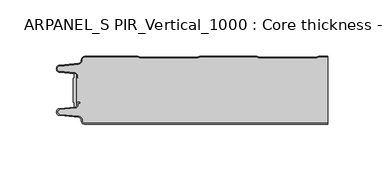
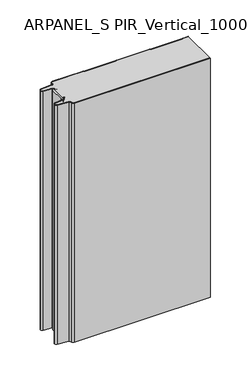
"""IFC4 building model written with IfcOpenShell, lengths in millimetres: plate geometry, ARPANEL_S PIR_Vertical_1000 : Core thickness - 60 mm."""

from ifc_helpers import new_model, si_unit, point, frame, frame_2d, origin, origin_with_axes, place, context, project, spatial, polyline, circle_curve, trimmed, segment, composite_curve, outline, extrude, source, transform, mapped, element, save
from ifc_brep_helpers import plane_surface, cylinder_surface, revolved_surface, advanced_brep


def arpanel_s_pir_vertical_1000_core_thickness_60_mm_f2b74a2b(model_context):
    return source(origin(), model_context, "Body", "SolidModel", [
        extrude(outline(composite_curve([segment(polyline([(-105.2854621, -19.4639745), (-104.0682893, -19.0209598), (-104.0682893, -15.20918)]), True, "CONTINUOUS"), segment(trimmed(circle_curve(frame_2d((-103.9194754, -17.302662)), 2.0987645), [point((-104.0682893, -15.20918))], [point((-102.4659308, -15.7887199))], False, "CARTESIAN"), True, "CONTINUOUS"), segment(polyline([(-102.4659308, -15.7887199), (-102.4659308, -44.2112801)]), True, "CONTINUOUS"), segment(trimmed(circle_curve(frame_2d((-103.9194754, -42.697338)), 2.0987645), [point((-102.4659308, -44.2112801))], [point((-104.0682893, -44.79082))], False, "CARTESIAN"), True, "CONTINUOUS"), segment(polyline([(-104.0682893, -44.79082), (-104.0682893, -40.9790402), (-105.2854621, -40.5360255), (-105.2854621, -19.4639745)]), True, "CONTINUOUS")], self_intersect=False)), origin_with_axes(), (0.0, 0.0, 1.0), 400.0),
        advanced_brep(
        [(-94.8000003, -59.9996949, 0.0), (-97.9923632, -56.5787437, 0.0), (-100.2560431, -53.9171154, 0.0), (-117.2115315, -52.2546153, 0.0), (-119.9999998, -49.1776715, 0.0), (-117.2115315, -46.1007278, 0.0), (-103.6195785, -44.7680252, 0.0), (-101.9952277, -42.9766159, 0.0), (-101.9952277, -41.8996949, 0.0), (-100.5952277, -40.4996949, 0.0), (-99.4952277, -40.4996949, 0.0), (-99.4952277, -41.2996949, 0.0), (-100.5952277, -41.2996949, 0.0), (-101.1952277, -41.8996949, 0.0), (-101.1952277, -42.9766159, 0.0), (-103.5415122, -45.5642071, 0.0), (-117.1334652, -46.8969097, 0.0), (-119.1999997, -49.1776715, 0.0), (-117.1334652, -51.4584333, 0.0), (-100.1779767, -53.1209335, 0.0), (-97.2078761, -56.6330399, 0.0), (-94.8000003, -59.1996949, 0.0), (119.9999998, -59.2, 0.0), (119.9999998, -59.9996949, 0.0), (-94.8000003, -59.1996949, 400.0), (-97.1942724, -56.6339815, 400.0), (-100.1779767, -53.1209335, 400.0), (-117.1334652, -51.4584333, 400.0), (-119.1999997, -49.1776715, 400.0), (-117.1334652, -46.8969097, 400.0), (-103.5415122, -45.5642071, 400.0), (-101.1952277, -42.9766159, 400.0), (-101.1952277, -41.8996949, 400.0), (-100.5952277, -41.2996949, 400.0), (-99.4952277, -41.2996949, 400.0), (-99.4952277, -40.4996949, 400.0), (-100.5952277, -40.4996949, 400.0), (-101.9952277, -41.8996949, 400.0), (-101.9952277, -42.9766159, 400.0), (-103.6195785, -44.7680252, 400.0), (-117.2115315, -46.1007278, 400.0), (-119.9999998, -49.1776715, 400.0), (-117.2115315, -52.2546153, 400.0), (-100.2560431, -53.9171154, 400.0), (-98.0059668, -56.5778021, 400.0), (-94.8000003, -59.9996949, 400.0), (119.9999998, -59.9996949, 400.0), (119.9999998, -59.2, 400.0)],
        [
            (0, 1, circle_curve(frame((-94.8000003, -56.7996949, 0.0), z_axis=(0.0, 0.0, -1.0), x_axis=(1.0, 0.0, 0.0)), 3.2)),
            (1, 2, circle_curve(frame((-100.5000003, -56.4051839, 0.0), z_axis=(0.0, 0.0, 1.0), x_axis=(1.0, 0.0, 0.0)), 2.5)),
            (2, 3),
            (3, 4, circle_curve(frame((-116.9100003, -49.1793626, 0.0), z_axis=(0.0, 0.0, -1.0), x_axis=(1.0, 0.0, 0.0)), 3.09)),
            (4, 5, circle_curve(frame((-116.9100003, -49.1759805, 0.0), z_axis=(0.0, 0.0, -1.0), x_axis=(1.0, 0.0, 0.0)), 3.09)),
            (5, 6),
            (6, 7, circle_curve(frame((-103.7952277, -42.9766159, 0.0), z_axis=(0.0, 0.0, 1.0), x_axis=(1.0, 0.0, 0.0)), 1.8)),
            (7, 8),
            (8, 9, circle_curve(frame((-100.5952277, -41.8996949, 0.0), z_axis=(0.0, 0.0, -1.0), x_axis=(1.0, 0.0, 0.0)), 1.4)),
            (9, 10),
            (10, 11),
            (11, 12),
            (12, 13, circle_curve(frame((-100.5952277, -41.8996949, 0.0), z_axis=(0.0, 0.0, 1.0), x_axis=(1.0, 0.0, 0.0)), 0.6)),
            (13, 14),
            (14, 15, circle_curve(frame((-103.7952277, -42.9766159, 0.0), z_axis=(0.0, 0.0, -1.0), x_axis=(1.0, 0.0, 0.0)), 2.6)),
            (15, 16),
            (16, 17, circle_curve(frame((-116.9100003, -49.1759805, 0.0), z_axis=(0.0, 0.0, 1.0), x_axis=(1.0, 0.0, 0.0)), 2.29)),
            (17, 18, circle_curve(frame((-116.9100003, -49.1793626, 0.0), z_axis=(0.0, 0.0, 1.0), x_axis=(1.0, 0.0, 0.0)), 2.29)),
            (18, 19),
            (19, 20, circle_curve(frame((-100.5000003, -56.4051839, 0.0), z_axis=(0.0, 0.0, -1.0), x_axis=(1.0, 0.0, 0.0)), 3.3)),
            (20, 21, circle_curve(frame((-94.8000003, -56.7996949, 0.0), z_axis=(0.0, 0.0, 1.0), x_axis=(1.0, 0.0, 0.0)), 2.4)),
            (21, 22),
            (22, 23),
            (23, 0),
            (24, 25, circle_curve(frame((-94.8000003, -56.7996949, 400.0), z_axis=(0.0, 0.0, -1.0), x_axis=(1.0, 0.0, 0.0)), 2.4)),
            (25, 26, circle_curve(frame((-100.5000003, -56.4051839, 400.0), z_axis=(0.0, 0.0, 1.0), x_axis=(1.0, 0.0, 0.0)), 3.3)),
            (26, 27),
            (27, 28, circle_curve(frame((-116.9100003, -49.1793626, 400.0), z_axis=(0.0, 0.0, -1.0), x_axis=(1.0, 0.0, 0.0)), 2.29)),
            (28, 29, circle_curve(frame((-116.9100003, -49.1759805, 400.0), z_axis=(0.0, 0.0, -1.0), x_axis=(1.0, 0.0, 0.0)), 2.29)),
            (29, 30),
            (30, 31, circle_curve(frame((-103.7952277, -42.9766159, 400.0), z_axis=(0.0, 0.0, 1.0), x_axis=(1.0, 0.0, 0.0)), 2.6)),
            (31, 32),
            (32, 33, circle_curve(frame((-100.5952277, -41.8996949, 400.0), z_axis=(0.0, 0.0, -1.0), x_axis=(1.0, 0.0, 0.0)), 0.6)),
            (33, 34),
            (34, 35),
            (35, 36),
            (36, 37, circle_curve(frame((-100.5952277, -41.8996949, 400.0), z_axis=(0.0, 0.0, 1.0), x_axis=(1.0, 0.0, 0.0)), 1.4)),
            (37, 38),
            (38, 39, circle_curve(frame((-103.7952277, -42.9766159, 400.0), z_axis=(0.0, 0.0, -1.0), x_axis=(1.0, 0.0, 0.0)), 1.8)),
            (39, 40),
            (40, 41, circle_curve(frame((-116.9100003, -49.1759805, 400.0), z_axis=(0.0, 0.0, 1.0), x_axis=(1.0, 0.0, 0.0)), 3.09)),
            (41, 42, circle_curve(frame((-116.9100003, -49.1793626, 400.0), z_axis=(0.0, 0.0, 1.0), x_axis=(1.0, 0.0, 0.0)), 3.09)),
            (42, 43),
            (43, 44, circle_curve(frame((-100.5000003, -56.4051839, 400.0), z_axis=(0.0, 0.0, -1.0), x_axis=(1.0, 0.0, 0.0)), 2.5)),
            (44, 45, circle_curve(frame((-94.8000003, -56.7996949, 400.0), z_axis=(0.0, 0.0, 1.0), x_axis=(1.0, 0.0, 0.0)), 3.2)),
            (45, 46),
            (46, 47),
            (47, 24),
            (21, 24),
            (47, 22),
            (20, 25),
            (19, 26),
            (18, 27),
            (17, 28),
            (16, 29),
            (15, 30),
            (14, 31),
            (13, 32),
            (12, 33),
            (11, 34),
            (10, 35),
            (9, 36),
            (8, 37),
            (7, 38),
            (6, 39),
            (5, 40),
            (4, 41),
            (3, 42),
            (2, 43),
            (1, 44),
            (0, 45),
            (23, 46),
        ],
        [
            plane_surface(frame((-119.9999998, -60.0, 0.0), z_axis=(0.0, 0.0, -1.0), x_axis=(0.0, 1.0, 0.0))),
            plane_surface(frame((-119.9999998, -60.0, 400.0), z_axis=(0.0, 0.0, 1.0), x_axis=(0.0, 1.0, 0.0))),
            plane_surface(frame((-94.8000003, -59.2, 0.0), z_axis=(0.0, 1.0, 0.0), x_axis=(0.0, 0.0, 1.0))),
            revolved_surface(polyline([(-92.40000029999999, -56.7996949, 400.0), (-92.40000029999999, -56.7996949, 0.0)]), (-94.8000003, -56.7996949, 0.0), (0.0, 0.0, 1.0)),
            cylinder_surface(frame((-100.5000003, -56.4051839, 0.0), z_axis=(0.0, 0.0, -1.0), x_axis=(1.0, 0.0, 0.0)), 3.3),
            plane_surface(frame((-117.1334652, -51.4584333, 0.0), z_axis=(0.09758289975914758, 0.9952273999818314, 0.0), x_axis=(0.0, 0.0, 1.0))),
            revolved_surface(polyline([(-114.62000029999999, -49.1793626, 400.0), (-114.62000029999999, -49.1793626, 0.0)]), (-116.9100003, -49.1793626, 0.0), (0.0, 0.0, 1.0)),
            revolved_surface(polyline([(-114.62000029999999, -49.1759805, 400.0), (-114.62000029999999, -49.1759805, 0.0)]), (-116.9100003, -49.1759805, 0.0), (0.0, 0.0, 1.0)),
            plane_surface(frame((-103.5415122, -45.5642071, 0.0), z_axis=(0.09758289975914383, -0.9952273999818317, 0.0), x_axis=(0.0, 0.0, 1.0))),
            cylinder_surface(frame((-103.7952277, -42.9766159, 0.0), z_axis=(0.0, 0.0, -1.0), x_axis=(1.0, 0.0, 0.0)), 2.6),
            plane_surface(frame((-101.1952277, -41.8996949, 0.0), z_axis=(1.0, 0.0, 0.0), x_axis=(0.0, 0.0, 1.0))),
            revolved_surface(polyline([(-99.9952277, -41.8996949, 400.0), (-99.9952277, -41.8996949, 0.0)]), (-100.5952277, -41.8996949, 0.0), (0.0, 0.0, 1.0)),
            plane_surface(frame((-99.4952277, -41.2996949, 0.0), z_axis=(0.0, -1.0, 0.0), x_axis=(0.0, 0.0, 1.0))),
            plane_surface(frame((-99.4952277, -40.4996949, 0.0), z_axis=(1.0, 0.0, 0.0), x_axis=(0.0, 0.0, 1.0))),
            plane_surface(frame((-100.5952277, -40.4996949, 0.0), z_axis=(0.0, 1.0, 0.0), x_axis=(0.0, 0.0, 1.0))),
            cylinder_surface(frame((-100.5952277, -41.8996949, 0.0), z_axis=(0.0, 0.0, -1.0), x_axis=(1.0, 0.0, 0.0)), 1.4),
            plane_surface(frame((-101.9952277, -42.9766159, 0.0), z_axis=(-1.0, 0.0, 0.0), x_axis=(0.0, 0.0, 1.0))),
            revolved_surface(polyline([(-101.9952277, -42.9766159, 400.0), (-101.9952277, -42.9766159, 0.0)]), (-103.7952277, -42.9766159, 0.0), (0.0, 0.0, 1.0)),
            plane_surface(frame((-117.2115315, -46.1007278, 0.0), z_axis=(-0.09758289975914387, 0.9952273999818317, 0.0), x_axis=(0.0, 0.0, 1.0))),
            cylinder_surface(frame((-116.9100003, -49.1759805, 0.0), z_axis=(0.0, 0.0, -1.0), x_axis=(1.0, 0.0, 0.0)), 3.09),
            cylinder_surface(frame((-116.9100003, -49.1793626, 0.0), z_axis=(0.0, 0.0, -1.0), x_axis=(1.0, 0.0, 0.0)), 3.09),
            plane_surface(frame((-100.2560431, -53.9171154, 0.0), z_axis=(-0.09758289975914762, -0.9952273999818314, 0.0), x_axis=(0.0, 0.0, 1.0))),
            revolved_surface(polyline([(-98.0000003, -56.4051839, 400.0), (-98.0000003, -56.4051839, 0.0)]), (-100.5000003, -56.4051839, 0.0), (0.0, 0.0, 1.0)),
            cylinder_surface(frame((-94.8000003, -56.7996949, 0.0), z_axis=(0.0, 0.0, -1.0), x_axis=(1.0, 0.0, 0.0)), 3.2),
            plane_surface(frame((896.009932, -59.9996949, 0.0), z_axis=(0.0, -1.0, 0.0), x_axis=(0.0, 0.0, 1.0))),
            plane_surface(frame((119.9999998, 180.0, 400.0), z_axis=(1.0, 0.0, 0.0), x_axis=(0.0, 0.0, -1.0))),
        ],
        [
            (0, [[1, 2, 3, 4, 5, 6, 7, 8, 9, 10, 11, 12, 13, 14, 15, 16, 17, 18, 19, 20, 21, 22, 23, 24]]),
            (1, [[25, 26, 27, 28, 29, 30, 31, 32, 33, 34, 35, 36, 37, 38, 39, 40, 41, 42, 43, 44, 45, 46, 47, 48]]),
            (2, [[49, -48, 50, -22]]),
            (3, [[-21, 51, -25, -49]]),
            (4, [[-20, 52, -26, -51]]),
            (5, [[-19, 53, -27, -52]]),
            (6, [[-18, 54, -28, -53]]),
            (7, [[-17, 55, -29, -54]]),
            (8, [[-16, 56, -30, -55]]),
            (9, [[-15, 57, -31, -56]]),
            (10, [[-14, 58, -32, -57]]),
            (11, [[-13, 59, -33, -58]]),
            (12, [[-12, 60, -34, -59]]),
            (13, [[-11, 61, -35, -60]]),
            (14, [[-10, 62, -36, -61]]),
            (15, [[-9, 63, -37, -62]]),
            (16, [[-8, 64, -38, -63]]),
            (17, [[-7, 65, -39, -64]]),
            (18, [[-6, 66, -40, -65]]),
            (19, [[-5, 67, -41, -66]]),
            (20, [[-4, 68, -42, -67]]),
            (21, [[-3, 69, -43, -68]]),
            (22, [[-2, 70, -44, -69]]),
            (23, [[-1, 71, -45, -70]]),
            (24, [[-71, -24, 72, -46]]),
            (25, [[-23, -50, -47, -72]]),
        ],
    ),
        advanced_brep(
        [(-101.9952277, -17.0233841, 400.0), (-102.4671027, -15.8084422, 400.0), (-102.4671027, -44.1915578, 400.0), (-101.9952277, -42.9766159, 400.0), (-101.9952277, -41.8996949, 400.0), (-100.5952277, -40.4996949, 400.0), (-99.4952277, -40.4996949, 400.0), (-99.4952277, -41.2996949, 400.0), (-100.5952277, -41.2996949, 400.0), (-101.1952277, -41.8996949, 400.0), (-101.1952277, -42.9766159, 400.0), (-103.5415122, -45.5642071, 400.0), (-117.1334652, -46.8969097, 400.0), (-119.1999997, -49.1776715, 400.0), (-117.1334652, -51.4584333, 400.0), (-100.1779767, -53.1209335, 400.0), (-97.2078761, -56.6330399, 400.0), (-94.8000003, -59.1996949, 400.0), (119.9999998, -59.2, 400.0), (119.9999998, -0.8, 400.0), (112.3119565, -0.8, 400.0), (111.2605406, -1.0986697, 400.0), (109.8401597, -1.5003051, 400.0), (59.6803765, -1.5003051, 400.0), (58.2609651, -1.0971009, 400.0), (57.2085797, -0.8, 400.0), (7.0487965, -0.8, 400.0), (5.9973806, -1.0986697, 400.0), (4.5769997, -1.5003051, 400.0), (-45.5827835, -1.5003051, 400.0), (-47.0021949, -1.0971009, 400.0), (-48.0545803, -0.8, 400.0), (-94.8000003, -0.8, 400.0), (-97.1942724, -3.3660185, 400.0), (-100.1779767, -6.8790665, 400.0), (-117.1334652, -8.5415667, 400.0), (-119.1999997, -10.8223285, 400.0), (-117.1334652, -13.1030903, 400.0), (-103.5415122, -14.4357929, 400.0), (-101.1952277, -17.0233841, 400.0), (-101.1952277, -18.1003051, 400.0), (-100.5952277, -18.7003051, 400.0), (-99.4952277, -18.7003051, 400.0), (-99.4952277, -19.5003051, 400.0), (-100.5952277, -19.5003051, 400.0), (-101.9952277, -18.1003051, 400.0), (-102.4671027, -15.8084422, 0.0), (-101.9952277, -17.0233841, 0.0), (-101.9952277, -18.1003051, 0.0), (-100.5952277, -19.5003051, 0.0), (-99.4952277, -19.5003051, 0.0), (-99.4952277, -18.7003051, 0.0), (-100.5952277, -18.7003051, 0.0), (-101.1952277, -18.1003051, 0.0), (-101.1952277, -17.0233841, 0.0), (-103.5415122, -14.4357929, 0.0), (-117.1334652, -13.1030903, 0.0), (-119.1999997, -10.8223285, 0.0), (-117.1334652, -8.5415667, 0.0), (-100.1779767, -6.8790665, 0.0), (-97.2078761, -3.3669601, 0.0), (-94.8000003, -0.8003051, 0.0), (-48.0545803, -0.8, 0.0), (-47.0031645, -1.0986697, 0.0), (-45.5827835, -1.5003051, 0.0), (4.5769997, -1.5003051, 0.0), (5.9964111, -1.0971009, 0.0), (7.0487965, -0.8, 0.0), (57.2085797, -0.8, 0.0), (58.2599955, -1.0986697, 0.0), (59.6803765, -1.5003051, 0.0), (109.8401597, -1.5003051, 0.0), (111.2595711, -1.0971009, 0.0), (112.3119565, -0.8, 0.0), (119.9999998, -0.8, 0.0), (119.9999998, -59.2, 0.0), (-94.8000003, -59.2, 0.0), (-97.1942724, -56.6339815, 0.0), (-100.1779767, -53.1209335, 0.0), (-117.1334652, -51.4584333, 0.0), (-119.1999997, -49.1776715, 0.0), (-117.1334652, -46.8969097, 0.0), (-103.5415122, -45.5642071, 0.0), (-101.1952277, -42.9766159, 0.0), (-101.1952277, -41.8996949, 0.0), (-100.5952277, -41.2996949, 0.0), (-99.4952277, -41.2996949, 0.0), (-99.4952277, -40.4996949, 0.0), (-100.5952277, -40.4996949, 0.0), (-101.9952277, -41.8996949, 0.0), (-101.9952277, -42.9766159, 0.0), (-102.4671027, -44.1915578, 0.0)],
        [
            (0, 1, circle_curve(frame((-103.7952277, -17.0233841, 400.0), z_axis=(0.0, 0.0, 1.0), x_axis=(1.0, 0.0, 0.0)), 1.8)),
            (1, 2),
            (2, 3, circle_curve(frame((-103.7952277, -42.9766159, 400.0), z_axis=(0.0, 0.0, 1.0), x_axis=(1.0, 0.0, 0.0)), 1.8)),
            (3, 4),
            (4, 5, circle_curve(frame((-100.5952277, -41.8996949, 400.0), z_axis=(0.0, 0.0, -1.0), x_axis=(1.0, 0.0, 0.0)), 1.4)),
            (5, 6),
            (6, 7),
            (7, 8),
            (8, 9, circle_curve(frame((-100.5952277, -41.8996949, 400.0), z_axis=(0.0, 0.0, 1.0), x_axis=(1.0, 0.0, 0.0)), 0.6)),
            (9, 10),
            (10, 11, circle_curve(frame((-103.7952277, -42.9766159, 400.0), z_axis=(0.0, 0.0, -1.0), x_axis=(1.0, 0.0, 0.0)), 2.6)),
            (11, 12),
            (12, 13, circle_curve(frame((-116.9100003, -49.1759805, 400.0), z_axis=(0.0, 0.0, 1.0), x_axis=(1.0, 0.0, 0.0)), 2.29)),
            (13, 14, circle_curve(frame((-116.9100003, -49.1793626, 400.0), z_axis=(0.0, 0.0, 1.0), x_axis=(1.0, 0.0, 0.0)), 2.29)),
            (14, 15),
            (15, 16, circle_curve(frame((-100.5000003, -56.4051839, 400.0), z_axis=(0.0, 0.0, -1.0), x_axis=(1.0, 0.0, 0.0)), 3.3)),
            (16, 17, circle_curve(frame((-94.8000003, -56.7996949, 400.0), z_axis=(0.0, 0.0, 1.0), x_axis=(1.0, 0.0, 0.0)), 2.4)),
            (17, 18),
            (18, 19),
            (19, 20),
            (20, 21, circle_curve(frame((112.3119565, -2.8, 400.0), z_axis=(0.0, 0.0, 1.0), x_axis=(1.0, 0.0, 0.0)), 2.0)),
            (21, 22, circle_curve(frame((109.8401597, 1.1996949, 400.0), z_axis=(0.0, 0.0, -1.0), x_axis=(1.0, 0.0, 0.0)), 2.7)),
            (22, 23),
            (23, 24, circle_curve(frame((59.6803765, 1.1996949, 400.0), z_axis=(0.0, 0.0, -1.0), x_axis=(1.0, 0.0, 0.0)), 2.7)),
            (24, 25, circle_curve(frame((57.2085797, -2.8, 400.0), z_axis=(0.0, 0.0, 1.0), x_axis=(1.0, 0.0, 0.0)), 2.0)),
            (25, 26),
            (26, 27, circle_curve(frame((7.0487965, -2.8, 400.0), z_axis=(0.0, 0.0, 1.0), x_axis=(1.0, 0.0, 0.0)), 2.0)),
            (27, 28, circle_curve(frame((4.5769997, 1.1996949, 400.0), z_axis=(0.0, 0.0, -1.0), x_axis=(1.0, 0.0, 0.0)), 2.7)),
            (28, 29),
            (29, 30, circle_curve(frame((-45.5827835, 1.1996949, 400.0), z_axis=(0.0, 0.0, -1.0), x_axis=(1.0, 0.0, 0.0)), 2.7)),
            (30, 31, circle_curve(frame((-48.0545803, -2.8, 400.0), z_axis=(0.0, 0.0, 1.0), x_axis=(1.0, 0.0, 0.0)), 2.0)),
            (31, 32),
            (32, 33, circle_curve(frame((-94.8000003, -3.2003051, 400.0), z_axis=(0.0, 0.0, 1.0), x_axis=(1.0, 0.0, 0.0)), 2.4)),
            (33, 34, circle_curve(frame((-100.5000003, -3.5948161, 400.0), z_axis=(0.0, 0.0, -1.0), x_axis=(1.0, 0.0, 0.0)), 3.3)),
            (34, 35),
            (35, 36, circle_curve(frame((-116.9100003, -10.8206374, 400.0), z_axis=(0.0, 0.0, 1.0), x_axis=(1.0, 0.0, 0.0)), 2.29)),
            (36, 37, circle_curve(frame((-116.9100003, -10.8240195, 400.0), z_axis=(0.0, 0.0, 1.0), x_axis=(1.0, 0.0, 0.0)), 2.29)),
            (37, 38),
            (38, 39, circle_curve(frame((-103.7952277, -17.0233841, 400.0), z_axis=(0.0, 0.0, -1.0), x_axis=(1.0, 0.0, 0.0)), 2.6)),
            (39, 40),
            (40, 41, circle_curve(frame((-100.5952277, -18.1003051, 400.0), z_axis=(0.0, 0.0, 1.0), x_axis=(1.0, 0.0, 0.0)), 0.6)),
            (41, 42),
            (42, 43),
            (43, 44),
            (44, 45, circle_curve(frame((-100.5952277, -18.1003051, 400.0), z_axis=(0.0, 0.0, -1.0), x_axis=(1.0, 0.0, 0.0)), 1.4)),
            (45, 0),
            (46, 47, circle_curve(frame((-103.7952277, -17.0233841, 0.0), z_axis=(0.0, 0.0, -1.0), x_axis=(1.0, 0.0, 0.0)), 1.8)),
            (47, 48),
            (48, 49, circle_curve(frame((-100.5952277, -18.1003051, 0.0), z_axis=(0.0, 0.0, 1.0), x_axis=(1.0, 0.0, 0.0)), 1.4)),
            (49, 50),
            (50, 51),
            (51, 52),
            (52, 53, circle_curve(frame((-100.5952277, -18.1003051, 0.0), z_axis=(0.0, 0.0, -1.0), x_axis=(1.0, 0.0, 0.0)), 0.6)),
            (53, 54),
            (54, 55, circle_curve(frame((-103.7952277, -17.0233841, 0.0), z_axis=(0.0, 0.0, 1.0), x_axis=(1.0, 0.0, 0.0)), 2.6)),
            (55, 56),
            (56, 57, circle_curve(frame((-116.9100003, -10.8240195, 0.0), z_axis=(0.0, 0.0, -1.0), x_axis=(1.0, 0.0, 0.0)), 2.29)),
            (57, 58, circle_curve(frame((-116.9100003, -10.8206374, 0.0), z_axis=(0.0, 0.0, -1.0), x_axis=(1.0, 0.0, 0.0)), 2.29)),
            (58, 59),
            (59, 60, circle_curve(frame((-100.5000003, -3.5948161, 0.0), z_axis=(0.0, 0.0, 1.0), x_axis=(1.0, 0.0, 0.0)), 3.3)),
            (60, 61, circle_curve(frame((-94.8000003, -3.2003051, 0.0), z_axis=(0.0, 0.0, -1.0), x_axis=(1.0, 0.0, 0.0)), 2.4)),
            (61, 62),
            (62, 63, circle_curve(frame((-48.0545803, -2.8, 0.0), z_axis=(0.0, 0.0, -1.0), x_axis=(1.0, 0.0, 0.0)), 2.0)),
            (63, 64, circle_curve(frame((-45.5827835, 1.1996949, 0.0), z_axis=(0.0, 0.0, 1.0), x_axis=(1.0, 0.0, 0.0)), 2.7)),
            (64, 65),
            (65, 66, circle_curve(frame((4.5769997, 1.1996949, 0.0), z_axis=(0.0, 0.0, 1.0), x_axis=(1.0, 0.0, 0.0)), 2.7)),
            (66, 67, circle_curve(frame((7.0487965, -2.8, 0.0), z_axis=(0.0, 0.0, -1.0), x_axis=(1.0, 0.0, 0.0)), 2.0)),
            (67, 68),
            (68, 69, circle_curve(frame((57.2085797, -2.8, 0.0), z_axis=(0.0, 0.0, -1.0), x_axis=(1.0, 0.0, 0.0)), 2.0)),
            (69, 70, circle_curve(frame((59.6803765, 1.1996949, 0.0), z_axis=(0.0, 0.0, 1.0), x_axis=(1.0, 0.0, 0.0)), 2.7)),
            (70, 71),
            (71, 72, circle_curve(frame((109.8401597, 1.1996949, 0.0), z_axis=(0.0, 0.0, 1.0), x_axis=(1.0, 0.0, 0.0)), 2.7)),
            (72, 73, circle_curve(frame((112.3119565, -2.8, 0.0), z_axis=(0.0, 0.0, -1.0), x_axis=(1.0, 0.0, 0.0)), 2.0)),
            (73, 74),
            (74, 75),
            (75, 76),
            (76, 77, circle_curve(frame((-94.8000003, -56.7996949, 0.0), z_axis=(0.0, 0.0, -1.0), x_axis=(1.0, 0.0, 0.0)), 2.4)),
            (77, 78, circle_curve(frame((-100.5000003, -56.4051839, 0.0), z_axis=(0.0, 0.0, 1.0), x_axis=(1.0, 0.0, 0.0)), 3.3)),
            (78, 79),
            (79, 80, circle_curve(frame((-116.9100003, -49.1793626, 0.0), z_axis=(0.0, 0.0, -1.0), x_axis=(1.0, 0.0, 0.0)), 2.29)),
            (80, 81, circle_curve(frame((-116.9100003, -49.1759805, 0.0), z_axis=(0.0, 0.0, -1.0), x_axis=(1.0, 0.0, 0.0)), 2.29)),
            (81, 82),
            (82, 83, circle_curve(frame((-103.7952277, -42.9766159, 0.0), z_axis=(0.0, 0.0, 1.0), x_axis=(1.0, 0.0, 0.0)), 2.6)),
            (83, 84),
            (84, 85, circle_curve(frame((-100.5952277, -41.8996949, 0.0), z_axis=(0.0, 0.0, -1.0), x_axis=(1.0, 0.0, 0.0)), 0.6)),
            (85, 86),
            (86, 87),
            (87, 88),
            (88, 89, circle_curve(frame((-100.5952277, -41.8996949, 0.0), z_axis=(0.0, 0.0, 1.0), x_axis=(1.0, 0.0, 0.0)), 1.4)),
            (89, 90),
            (90, 91, circle_curve(frame((-103.7952277, -42.9766159, 0.0), z_axis=(0.0, 0.0, -1.0), x_axis=(1.0, 0.0, 0.0)), 1.8)),
            (91, 46),
            (1, 46),
            (91, 2),
            (0, 47),
            (45, 48),
            (44, 49),
            (43, 50),
            (51, 42),
            (41, 52),
            (40, 53),
            (39, 54),
            (38, 55),
            (37, 56),
            (36, 57),
            (35, 58),
            (34, 59),
            (33, 60),
            (32, 61),
            (31, 62),
            (30, 63),
            (29, 64),
            (28, 65),
            (27, 66),
            (26, 67),
            (25, 68),
            (24, 69),
            (23, 70),
            (22, 71),
            (21, 72),
            (20, 73),
            (19, 74),
            (17, 76),
            (75, 18),
            (16, 77),
            (15, 78),
            (14, 79),
            (13, 80),
            (12, 81),
            (11, 82),
            (10, 83),
            (9, 84),
            (8, 85),
            (7, 86),
            (6, 87),
            (5, 88),
            (4, 89),
            (3, 90),
        ],
        [
            plane_surface(frame((-119.9999998, 0.0, 400.0), z_axis=(0.0, 0.0, 1.0), x_axis=(0.0, -1.0, 0.0))),
            plane_surface(frame((-119.9999998, 0.0, 0.0), z_axis=(0.0, 0.0, -1.0), x_axis=(0.0, -1.0, 0.0))),
            plane_surface(frame((-102.4671027, -14.998578, 400.0), z_axis=(-1.0, 0.0, 0.0), x_axis=(0.0, 0.0, -1.0))),
            cylinder_surface(frame((-103.7952277, -17.0233841, 530.0), z_axis=(0.0, 0.0, -1.0), x_axis=(1.0, 0.0, 0.0)), 1.8),
            plane_surface(frame((-101.9952277, -17.0233841, 530.0), z_axis=(1.0, 0.0, 0.0), x_axis=(0.0, 0.0, -1.0))),
            revolved_surface(polyline([(-99.19522769999999, -18.1003051, 400.0), (-99.19522769999999, -18.1003051, 0.0)]), (-100.5952277, -18.1003051, 530.0), (0.0, 0.0, 1.0)),
            plane_surface(frame((-100.5952277, -19.5003051, 530.0), z_axis=(0.0, 1.0, 0.0), x_axis=(0.0, 0.0, -1.0))),
            plane_surface(frame((-99.4952277, -18.7003051, 530.0), z_axis=(0.0, -1.0, 0.0), x_axis=(0.0, 0.0, -1.0))),
            cylinder_surface(frame((-100.5952277, -18.1003051, 530.0), z_axis=(0.0, 0.0, -1.0), x_axis=(1.0, 0.0, 0.0)), 0.6),
            plane_surface(frame((-101.1952277, -18.1003051, 530.0), z_axis=(-1.0, 0.0, 0.0), x_axis=(0.0, 0.0, -1.0))),
            revolved_surface(polyline([(-101.1952277, -17.0233841, 400.0), (-101.1952277, -17.0233841, 0.0)]), (-103.7952277, -17.0233841, 530.0), (0.0, 0.0, 1.0)),
            plane_surface(frame((-103.5415122, -14.4357929, 530.0), z_axis=(-0.09758289975914705, -0.9952273999818314, 0.0), x_axis=(0.0, 0.0, -1.0))),
            cylinder_surface(frame((-116.9100003, -10.8240195, 530.0), z_axis=(0.0, 0.0, -1.0), x_axis=(1.0, 0.0, 0.0)), 2.29),
            cylinder_surface(frame((-116.9100003, -10.8206374, 530.0), z_axis=(0.0, 0.0, -1.0), x_axis=(1.0, 0.0, 0.0)), 2.29),
            plane_surface(frame((-117.1334652, -8.5415667, 530.0), z_axis=(-0.09758289975914436, 0.9952273999818317, 0.0), x_axis=(0.0, 0.0, -1.0))),
            revolved_surface(polyline([(-97.2000003, -3.5948161, 400.0), (-97.2000003, -3.5948161, 0.0)]), (-100.5000003, -3.5948161, 530.0), (0.0, 0.0, 1.0)),
            cylinder_surface(frame((-94.8000003, -3.2003051, 530.0), z_axis=(0.0, 0.0, -1.0), x_axis=(1.0, 0.0, 0.0)), 2.4),
            plane_surface(frame((-94.8000003, -0.8, 530.0), z_axis=(0.0, 1.0, 0.0), x_axis=(0.0, 0.0, -1.0))),
            cylinder_surface(frame((-48.0545803, -2.8, 530.0), z_axis=(0.0, 0.0, -1.0), x_axis=(1.0, 0.0, 0.0)), 2.0),
            revolved_surface(polyline([(-42.882783499999995, 1.1996949, 400.0), (-42.882783499999995, 1.1996949, 0.0)]), (-45.5827835, 1.1996949, 530.0), (0.0, 0.0, 1.0)),
            plane_surface(frame((-45.5827835, -1.5003051, 530.0), z_axis=(0.0, 1.0, 0.0), x_axis=(0.0, 0.0, -1.0))),
            revolved_surface(polyline([(7.2769997, 1.1996949, 400.0), (7.2769997, 1.1996949, 0.0)]), (4.5769997, 1.1996949, 530.0), (0.0, 0.0, 1.0)),
            cylinder_surface(frame((7.0487965, -2.8, 530.0), z_axis=(0.0, 0.0, -1.0), x_axis=(1.0, 0.0, 0.0)), 2.0),
            plane_surface(frame((7.0487965, -0.8, 530.0), z_axis=(0.0, 1.0, 0.0), x_axis=(0.0, 0.0, -1.0))),
            cylinder_surface(frame((57.2085797, -2.8, 530.0), z_axis=(0.0, 0.0, -1.0), x_axis=(1.0, 0.0, 0.0)), 2.0),
            revolved_surface(polyline([(62.380376500000004, 1.1996949, 400.0), (62.380376500000004, 1.1996949, 0.0)]), (59.6803765, 1.1996949, 530.0), (0.0, 0.0, 1.0)),
            plane_surface(frame((59.6803765, -1.5003051, 530.0), z_axis=(0.0, 1.0, 0.0), x_axis=(0.0, 0.0, -1.0))),
            revolved_surface(polyline([(112.5401597, 1.1996949, 400.0), (112.5401597, 1.1996949, 0.0)]), (109.8401597, 1.1996949, 530.0), (0.0, 0.0, 1.0)),
            cylinder_surface(frame((112.3119565, -2.8, 530.0), z_axis=(0.0, 0.0, -1.0), x_axis=(1.0, 0.0, 0.0)), 2.0),
            plane_surface(frame((112.3119565, -0.8, 530.0), z_axis=(0.0, 1.0, 0.0), x_axis=(0.0, 0.0, -1.0))),
            plane_surface(frame((-99.4952277, -19.5003051, 530.0), z_axis=(-1.0, 0.0, 0.0), x_axis=(0.0, 0.0, -1.0))),
            plane_surface(frame((896.009932, -59.2, 530.0), z_axis=(0.0, -1.0, 0.0), x_axis=(0.0, 0.0, -1.0))),
            cylinder_surface(frame((-94.8000003, -56.7996949, 530.0), z_axis=(0.0, 0.0, -1.0), x_axis=(1.0, 0.0, 0.0)), 2.4),
            revolved_surface(polyline([(-97.2000003, -56.4051839, 400.0), (-97.2000003, -56.4051839, 0.0)]), (-100.5000003, -56.4051839, 530.0), (0.0, 0.0, 1.0)),
            plane_surface(frame((-100.1779767, -53.1209335, 530.0), z_axis=(-0.09758289975914758, -0.9952273999818314, 0.0), x_axis=(0.0, 0.0, -1.0))),
            cylinder_surface(frame((-116.9100003, -49.1793626, 530.0), z_axis=(0.0, 0.0, -1.0), x_axis=(1.0, 0.0, 0.0)), 2.29),
            cylinder_surface(frame((-116.9100003, -49.1759805, 530.0), z_axis=(0.0, 0.0, -1.0), x_axis=(1.0, 0.0, 0.0)), 2.29),
            plane_surface(frame((-117.1334652, -46.8969097, 530.0), z_axis=(-0.09758289975914383, 0.9952273999818317, 0.0), x_axis=(0.0, 0.0, -1.0))),
            revolved_surface(polyline([(-101.1952277, -42.9766159, 400.0), (-101.1952277, -42.9766159, 0.0)]), (-103.7952277, -42.9766159, 530.0), (0.0, 0.0, 1.0)),
            plane_surface(frame((-101.1952277, -42.9766159, 530.0), z_axis=(-1.0, 0.0, 0.0), x_axis=(0.0, 0.0, -1.0))),
            cylinder_surface(frame((-100.5952277, -41.8996949, 530.0), z_axis=(0.0, 0.0, -1.0), x_axis=(1.0, 0.0, 0.0)), 0.6),
            plane_surface(frame((-100.5952277, -41.2996949, 530.0), z_axis=(0.0, 1.0, 0.0), x_axis=(0.0, 0.0, -1.0))),
            plane_surface(frame((-99.4952277, -41.2996949, 530.0), z_axis=(-1.0, 0.0, 0.0), x_axis=(0.0, 0.0, -1.0))),
            plane_surface(frame((-99.4952277, -40.4996949, 530.0), z_axis=(0.0, -1.0, 0.0), x_axis=(0.0, 0.0, -1.0))),
            revolved_surface(polyline([(-99.19522769999999, -41.8996949, 400.0), (-99.19522769999999, -41.8996949, 0.0)]), (-100.5952277, -41.8996949, 530.0), (0.0, 0.0, 1.0)),
            plane_surface(frame((-101.9952277, -41.8996949, 530.0), z_axis=(1.0, 0.0, 0.0), x_axis=(0.0, 0.0, -1.0))),
            cylinder_surface(frame((-103.7952277, -42.9766159, 530.0), z_axis=(0.0, 0.0, -1.0), x_axis=(1.0, 0.0, 0.0)), 1.8),
            plane_surface(frame((119.9999998, 180.0, 400.0), z_axis=(1.0, 0.0, 0.0), x_axis=(0.0, 0.0, -1.0))),
        ],
        [
            (0, [[1, 2, 3, 4, 5, 6, 7, 8, 9, 10, 11, 12, 13, 14, 15, 16, 17, 18, 19, 20, 21, 22, 23, 24, 25, 26, 27, 28, 29, 30, 31, 32, 33, 34, 35, 36, 37, 38, 39, 40, 41, 42, 43, 44, 45, 46]]),
            (1, [[47, 48, 49, 50, 51, 52, 53, 54, 55, 56, 57, 58, 59, 60, 61, 62, 63, 64, 65, 66, 67, 68, 69, 70, 71, 72, 73, 74, 75, 76, 77, 78, 79, 80, 81, 82, 83, 84, 85, 86, 87, 88, 89, 90, 91, 92]]),
            (2, [[93, -92, 94, -2]]),
            (3, [[95, -47, -93, -1]]),
            (4, [[-95, -46, 96, -48]]),
            (5, [[-96, -45, 97, -49]]),
            (6, [[-97, -44, 98, -50]]),
            (7, [[99, -42, 100, -52]]),
            (8, [[-100, -41, 101, -53]]),
            (9, [[-101, -40, 102, -54]]),
            (10, [[-102, -39, 103, -55]]),
            (11, [[-103, -38, 104, -56]]),
            (12, [[-104, -37, 105, -57]]),
            (13, [[-105, -36, 106, -58]]),
            (14, [[-106, -35, 107, -59]]),
            (15, [[-107, -34, 108, -60]]),
            (16, [[-108, -33, 109, -61]]),
            (17, [[-109, -32, 110, -62]]),
            (18, [[-110, -31, 111, -63]]),
            (19, [[-111, -30, 112, -64]]),
            (20, [[-112, -29, 113, -65]]),
            (21, [[-113, -28, 114, -66]]),
            (22, [[-114, -27, 115, -67]]),
            (23, [[-115, -26, 116, -68]]),
            (24, [[-116, -25, 117, -69]]),
            (25, [[-117, -24, 118, -70]]),
            (26, [[-118, -23, 119, -71]]),
            (27, [[-119, -22, 120, -72]]),
            (28, [[-120, -21, 121, -73]]),
            (29, [[-121, -20, 122, -74]]),
            (30, [[-99, -51, -98, -43]]),
            (31, [[123, -76, 124, -18]]),
            (32, [[-123, -17, 125, -77]]),
            (33, [[-125, -16, 126, -78]]),
            (34, [[-126, -15, 127, -79]]),
            (35, [[-127, -14, 128, -80]]),
            (36, [[-128, -13, 129, -81]]),
            (37, [[-129, -12, 130, -82]]),
            (38, [[-130, -11, 131, -83]]),
            (39, [[-131, -10, 132, -84]]),
            (40, [[-132, -9, 133, -85]]),
            (41, [[-133, -8, 134, -86]]),
            (42, [[-134, -7, 135, -87]]),
            (43, [[-135, -6, 136, -88]]),
            (44, [[-136, -5, 137, -89]]),
            (45, [[-137, -4, 138, -90]]),
            (46, [[-138, -3, -94, -91]]),
            (47, [[-122, -19, -124, -75]]),
        ],
    ),
        advanced_brep(
        [(-47.0031645, -1.0986697, 0.0), (-48.0545803, -0.8, 0.0), (-94.8000003, -0.8, 0.0), (-97.1942724, -3.3660185, 0.0), (-100.1779767, -6.8790665, 0.0), (-117.1334652, -8.5415667, 0.0), (-119.1999997, -10.8223285, 0.0), (-117.1334652, -13.1030903, 0.0), (-103.5415122, -14.4357929, 0.0), (-101.1952277, -17.0233841, 0.0), (-101.1952277, -18.1003051, 0.0), (-100.5952277, -18.7003051, 0.0), (-99.4952277, -18.7003051, 0.0), (-99.4952277, -19.5003051, 0.0), (-100.5952277, -19.5003051, 0.0), (-101.9952277, -18.1003051, 0.0), (-101.9952277, -17.0233841, 0.0), (-103.6195785, -15.2319748, 0.0), (-117.2115315, -13.8992722, 0.0), (-119.9999998, -10.8223285, 0.0), (-117.2115315, -7.7453847, 0.0), (-100.2560431, -6.0828846, 0.0), (-98.0059668, -3.4221979, 0.0), (-94.8000003, -0.0003051, 0.0), (-48.0545803, -0.0003051, 0.0), (-46.6352472, -0.4034608, 0.0), (-45.5827835, -0.7003051, 0.0), (4.5769997, -0.7003051, 0.0), (5.6283575, -0.4016712, 0.0), (7.0487965, -0.0003051, 0.0), (57.2085797, -0.0003051, 0.0), (58.6279128, -0.4034608, 0.0), (59.6803765, -0.7003051, 0.0), (109.8401597, -0.7003051, 0.0), (110.8915175, -0.4016712, 0.0), (112.3119565, -0.0003051, 0.0), (119.9999998, -0.0003051, 0.0), (119.9999998, -0.8, 0.0), (112.3119565, -0.8, 0.0), (111.2605406, -1.0986697, 0.0), (109.8401597, -1.5003051, 0.0), (59.6803765, -1.5003051, 0.0), (58.2609651, -1.0971009, 0.0), (57.2085797, -0.8, 0.0), (7.0487965, -0.8, 0.0), (5.9973806, -1.0986697, 0.0), (4.5769997, -1.5003051, 0.0), (-45.5827835, -1.5003051, 0.0), (-47.0021949, -1.0971009, 400.0), (-45.5827835, -1.5003051, 400.0), (4.5769997, -1.5003051, 400.0), (5.9964111, -1.0971009, 400.0), (7.0487965, -0.8, 400.0), (57.2085797, -0.8, 400.0), (58.2599955, -1.0986697, 400.0), (59.6803765, -1.5003051, 400.0), (109.8401597, -1.5003051, 400.0), (111.2595711, -1.0971009, 400.0), (112.3119565, -0.8, 400.0), (119.9999998, -0.8, 400.0), (119.9999998, -0.0003051, 400.0), (112.3119565, -0.0003051, 400.0), (110.8926234, -0.4034608, 400.0), (109.8401597, -0.7003051, 400.0), (59.6803765, -0.7003051, 400.0), (58.6290186, -0.4016712, 400.0), (57.2085797, -0.0003051, 400.0), (7.0487965, -0.0003051, 400.0), (5.6294634, -0.4034608, 400.0), (4.5769997, -0.7003051, 400.0), (-45.5827835, -0.7003051, 400.0), (-46.6341414, -0.4016712, 400.0), (-48.0545803, -0.0003051, 400.0), (-94.8000003, -0.0003051, 400.0), (-97.9923632, -3.4212563, 400.0), (-100.2560431, -6.0828846, 400.0), (-117.2115315, -7.7453847, 400.0), (-119.9999998, -10.8223285, 400.0), (-117.2115315, -13.8992722, 400.0), (-103.6195785, -15.2319748, 400.0), (-101.9952277, -17.0233841, 400.0), (-101.9952277, -18.1003051, 400.0), (-100.5952277, -19.5003051, 400.0), (-99.4952277, -19.5003051, 400.0), (-99.4952277, -18.7003051, 400.0), (-100.5952277, -18.7003051, 400.0), (-101.1952277, -18.1003051, 400.0), (-101.1952277, -17.0233841, 400.0), (-103.5415122, -14.4357929, 400.0), (-117.1334652, -13.1030903, 400.0), (-119.1999997, -10.8223285, 400.0), (-117.1334652, -8.5415667, 400.0), (-100.1779767, -6.8790665, 400.0), (-97.2078761, -3.3669601, 400.0), (-94.8000003, -0.8003051, 400.0), (-48.0545803, -0.8, 400.0)],
        [
            (0, 1, circle_curve(frame((-48.0545803, -2.8, 0.0), z_axis=(0.0, 0.0, 1.0), x_axis=(1.0, 0.0, 0.0)), 2.0)),
            (1, 2),
            (2, 3, circle_curve(frame((-94.8000003, -3.2003051, 0.0), z_axis=(0.0, 0.0, 1.0), x_axis=(1.0, 0.0, 0.0)), 2.4)),
            (3, 4, circle_curve(frame((-100.5000003, -3.5948161, 0.0), z_axis=(0.0, 0.0, -1.0), x_axis=(1.0, 0.0, 0.0)), 3.3)),
            (4, 5),
            (5, 6, circle_curve(frame((-116.9100003, -10.8206374, 0.0), z_axis=(0.0, 0.0, 1.0), x_axis=(1.0, 0.0, 0.0)), 2.29)),
            (6, 7, circle_curve(frame((-116.9100003, -10.8240195, 0.0), z_axis=(0.0, 0.0, 1.0), x_axis=(1.0, 0.0, 0.0)), 2.29)),
            (7, 8),
            (8, 9, circle_curve(frame((-103.7952277, -17.0233841, 0.0), z_axis=(0.0, 0.0, -1.0), x_axis=(1.0, 0.0, 0.0)), 2.6)),
            (9, 10),
            (10, 11, circle_curve(frame((-100.5952277, -18.1003051, 0.0), z_axis=(0.0, 0.0, 1.0), x_axis=(1.0, 0.0, 0.0)), 0.6)),
            (11, 12),
            (12, 13),
            (13, 14),
            (14, 15, circle_curve(frame((-100.5952277, -18.1003051, 0.0), z_axis=(0.0, 0.0, -1.0), x_axis=(1.0, 0.0, 0.0)), 1.4)),
            (15, 16),
            (16, 17, circle_curve(frame((-103.7952277, -17.0233841, 0.0), z_axis=(0.0, 0.0, 1.0), x_axis=(1.0, 0.0, 0.0)), 1.8)),
            (17, 18),
            (18, 19, circle_curve(frame((-116.9100003, -10.8240195, 0.0), z_axis=(0.0, 0.0, -1.0), x_axis=(1.0, 0.0, 0.0)), 3.09)),
            (19, 20, circle_curve(frame((-116.9100003, -10.8206374, 0.0), z_axis=(0.0, 0.0, -1.0), x_axis=(1.0, 0.0, 0.0)), 3.09)),
            (20, 21),
            (21, 22, circle_curve(frame((-100.5000003, -3.5948161, 0.0), z_axis=(0.0, 0.0, 1.0), x_axis=(1.0, 0.0, 0.0)), 2.5)),
            (22, 23, circle_curve(frame((-94.8000003, -3.2003051, 0.0), z_axis=(0.0, 0.0, -1.0), x_axis=(1.0, 0.0, 0.0)), 3.2)),
            (23, 24),
            (24, 25, circle_curve(frame((-48.0545803, -2.7003051, 0.0), z_axis=(0.0, 0.0, -1.0), x_axis=(1.0, 0.0, 0.0)), 2.7)),
            (25, 26, circle_curve(frame((-45.5827835, 1.2996949, 0.0), z_axis=(0.0, 0.0, 1.0), x_axis=(1.0, 0.0, 0.0)), 2.0)),
            (26, 27),
            (27, 28, circle_curve(frame((4.5769997, 1.2996949, 0.0), z_axis=(0.0, 0.0, 1.0), x_axis=(1.0, 0.0, 0.0)), 2.0)),
            (28, 29, circle_curve(frame((7.0487965, -2.7003051, 0.0), z_axis=(0.0, 0.0, -1.0), x_axis=(1.0, 0.0, 0.0)), 2.7)),
            (29, 30),
            (30, 31, circle_curve(frame((57.2085797, -2.7003051, 0.0), z_axis=(0.0, 0.0, -1.0), x_axis=(1.0, 0.0, 0.0)), 2.7)),
            (31, 32, circle_curve(frame((59.6803765, 1.2996949, 0.0), z_axis=(0.0, 0.0, 1.0), x_axis=(1.0, 0.0, 0.0)), 2.0)),
            (32, 33),
            (33, 34, circle_curve(frame((109.8401597, 1.2996949, 0.0), z_axis=(0.0, 0.0, 1.0), x_axis=(1.0, 0.0, 0.0)), 2.0)),
            (34, 35, circle_curve(frame((112.3119565, -2.7003051, 0.0), z_axis=(0.0, 0.0, -1.0), x_axis=(1.0, 0.0, 0.0)), 2.7)),
            (35, 36),
            (36, 37),
            (37, 38),
            (38, 39, circle_curve(frame((112.3119565, -2.8, 0.0), z_axis=(0.0, 0.0, 1.0), x_axis=(1.0, 0.0, 0.0)), 2.0)),
            (39, 40, circle_curve(frame((109.8401597, 1.1996949, 0.0), z_axis=(0.0, 0.0, -1.0), x_axis=(1.0, 0.0, 0.0)), 2.7)),
            (40, 41),
            (41, 42, circle_curve(frame((59.6803765, 1.1996949, 0.0), z_axis=(0.0, 0.0, -1.0), x_axis=(1.0, 0.0, 0.0)), 2.7)),
            (42, 43, circle_curve(frame((57.2085797, -2.8, 0.0), z_axis=(0.0, 0.0, 1.0), x_axis=(1.0, 0.0, 0.0)), 2.0)),
            (43, 44),
            (44, 45, circle_curve(frame((7.0487965, -2.8, 0.0), z_axis=(0.0, 0.0, 1.0), x_axis=(1.0, 0.0, 0.0)), 2.0)),
            (45, 46, circle_curve(frame((4.5769997, 1.1996949, 0.0), z_axis=(0.0, 0.0, -1.0), x_axis=(1.0, 0.0, 0.0)), 2.7)),
            (46, 47),
            (47, 0, circle_curve(frame((-45.5827835, 1.1996949, 0.0), z_axis=(0.0, 0.0, -1.0), x_axis=(1.0, 0.0, 0.0)), 2.7)),
            (48, 49, circle_curve(frame((-45.5827835, 1.1996949, 400.0), z_axis=(0.0, 0.0, 1.0), x_axis=(1.0, 0.0, 0.0)), 2.7)),
            (49, 50),
            (50, 51, circle_curve(frame((4.5769997, 1.1996949, 400.0), z_axis=(0.0, 0.0, 1.0), x_axis=(1.0, 0.0, 0.0)), 2.7)),
            (51, 52, circle_curve(frame((7.0487965, -2.8, 400.0), z_axis=(0.0, 0.0, -1.0), x_axis=(1.0, 0.0, 0.0)), 2.0)),
            (52, 53),
            (53, 54, circle_curve(frame((57.2085797, -2.8, 400.0), z_axis=(0.0, 0.0, -1.0), x_axis=(1.0, 0.0, 0.0)), 2.0)),
            (54, 55, circle_curve(frame((59.6803765, 1.1996949, 400.0), z_axis=(0.0, 0.0, 1.0), x_axis=(1.0, 0.0, 0.0)), 2.7)),
            (55, 56),
            (56, 57, circle_curve(frame((109.8401597, 1.1996949, 400.0), z_axis=(0.0, 0.0, 1.0), x_axis=(1.0, 0.0, 0.0)), 2.7)),
            (57, 58, circle_curve(frame((112.3119565, -2.8, 400.0), z_axis=(0.0, 0.0, -1.0), x_axis=(1.0, 0.0, 0.0)), 2.0)),
            (58, 59),
            (59, 60),
            (60, 61),
            (61, 62, circle_curve(frame((112.3119565, -2.7003051, 400.0), z_axis=(0.0, 0.0, 1.0), x_axis=(1.0, 0.0, 0.0)), 2.7)),
            (62, 63, circle_curve(frame((109.8401597, 1.2996949, 400.0), z_axis=(0.0, 0.0, -1.0), x_axis=(1.0, 0.0, 0.0)), 2.0)),
            (63, 64),
            (64, 65, circle_curve(frame((59.6803765, 1.2996949, 400.0), z_axis=(0.0, 0.0, -1.0), x_axis=(1.0, 0.0, 0.0)), 2.0)),
            (65, 66, circle_curve(frame((57.2085797, -2.7003051, 400.0), z_axis=(0.0, 0.0, 1.0), x_axis=(1.0, 0.0, 0.0)), 2.7)),
            (66, 67),
            (67, 68, circle_curve(frame((7.0487965, -2.7003051, 400.0), z_axis=(0.0, 0.0, 1.0), x_axis=(1.0, 0.0, 0.0)), 2.7)),
            (68, 69, circle_curve(frame((4.5769997, 1.2996949, 400.0), z_axis=(0.0, 0.0, -1.0), x_axis=(1.0, 0.0, 0.0)), 2.0)),
            (69, 70),
            (70, 71, circle_curve(frame((-45.5827835, 1.2996949, 400.0), z_axis=(0.0, 0.0, -1.0), x_axis=(1.0, 0.0, 0.0)), 2.0)),
            (71, 72, circle_curve(frame((-48.0545803, -2.7003051, 400.0), z_axis=(0.0, 0.0, 1.0), x_axis=(1.0, 0.0, 0.0)), 2.7)),
            (72, 73),
            (73, 74, circle_curve(frame((-94.8000003, -3.2003051, 400.0), z_axis=(0.0, 0.0, 1.0), x_axis=(1.0, 0.0, 0.0)), 3.2)),
            (74, 75, circle_curve(frame((-100.5000003, -3.5948161, 400.0), z_axis=(0.0, 0.0, -1.0), x_axis=(1.0, 0.0, 0.0)), 2.5)),
            (75, 76),
            (76, 77, circle_curve(frame((-116.9100003, -10.8206374, 400.0), z_axis=(0.0, 0.0, 1.0), x_axis=(1.0, 0.0, 0.0)), 3.09)),
            (77, 78, circle_curve(frame((-116.9100003, -10.8240195, 400.0), z_axis=(0.0, 0.0, 1.0), x_axis=(1.0, 0.0, 0.0)), 3.09)),
            (78, 79),
            (79, 80, circle_curve(frame((-103.7952277, -17.0233841, 400.0), z_axis=(0.0, 0.0, -1.0), x_axis=(1.0, 0.0, 0.0)), 1.8)),
            (80, 81),
            (81, 82, circle_curve(frame((-100.5952277, -18.1003051, 400.0), z_axis=(0.0, 0.0, 1.0), x_axis=(1.0, 0.0, 0.0)), 1.4)),
            (82, 83),
            (83, 84),
            (84, 85),
            (85, 86, circle_curve(frame((-100.5952277, -18.1003051, 400.0), z_axis=(0.0, 0.0, -1.0), x_axis=(1.0, 0.0, 0.0)), 0.6)),
            (86, 87),
            (87, 88, circle_curve(frame((-103.7952277, -17.0233841, 400.0), z_axis=(0.0, 0.0, 1.0), x_axis=(1.0, 0.0, 0.0)), 2.6)),
            (88, 89),
            (89, 90, circle_curve(frame((-116.9100003, -10.8240195, 400.0), z_axis=(0.0, 0.0, -1.0), x_axis=(1.0, 0.0, 0.0)), 2.29)),
            (90, 91, circle_curve(frame((-116.9100003, -10.8206374, 400.0), z_axis=(0.0, 0.0, -1.0), x_axis=(1.0, 0.0, 0.0)), 2.29)),
            (91, 92),
            (92, 93, circle_curve(frame((-100.5000003, -3.5948161, 400.0), z_axis=(0.0, 0.0, 1.0), x_axis=(1.0, 0.0, 0.0)), 3.3)),
            (93, 94, circle_curve(frame((-94.8000003, -3.2003051, 400.0), z_axis=(0.0, 0.0, -1.0), x_axis=(1.0, 0.0, 0.0)), 2.4)),
            (94, 95),
            (95, 48, circle_curve(frame((-48.0545803, -2.8, 400.0), z_axis=(0.0, 0.0, -1.0), x_axis=(1.0, 0.0, 0.0)), 2.0)),
            (0, 48),
            (95, 1),
            (94, 2),
            (93, 3),
            (92, 4),
            (91, 5),
            (90, 6),
            (89, 7),
            (88, 8),
            (87, 9),
            (86, 10),
            (85, 11),
            (84, 12),
            (83, 13),
            (82, 14),
            (81, 15),
            (80, 16),
            (79, 17),
            (78, 18),
            (77, 19),
            (76, 20),
            (75, 21),
            (74, 22),
            (73, 23),
            (72, 24),
            (71, 25),
            (70, 26),
            (69, 27),
            (68, 28),
            (67, 29),
            (66, 30),
            (65, 31),
            (64, 32),
            (63, 33),
            (62, 34),
            (61, 35),
            (60, 36),
            (58, 38),
            (37, 59),
            (57, 39),
            (56, 40),
            (55, 41),
            (54, 42),
            (53, 43),
            (52, 44),
            (51, 45),
            (50, 46),
            (49, 47),
        ],
        [
            plane_surface(frame((-119.9999998, 0.0, 0.0), z_axis=(0.0, 0.0, -1.0), x_axis=(0.0, -1.0, 0.0))),
            plane_surface(frame((-119.9999998, 0.0, 400.0), z_axis=(0.0, 0.0, 1.0), x_axis=(0.0, -1.0, 0.0))),
            revolved_surface(polyline([(-46.0545803, -2.8, 400.0), (-46.0545803, -2.8, 0.0)]), (-48.0545803, -2.8, 0.0), (0.0, 0.0, 1.0)),
            plane_surface(frame((-48.0545803, -0.8, 0.0), z_axis=(0.0, -1.0, 0.0), x_axis=(0.0, 0.0, 1.0))),
            revolved_surface(polyline([(-92.40000029999999, -3.2003051, 400.0), (-92.40000029999999, -3.2003051, 0.0)]), (-94.8000003, -3.2003051, 0.0), (0.0, 0.0, 1.0)),
            cylinder_surface(frame((-100.5000003, -3.5948161, 0.0), z_axis=(0.0, 0.0, -1.0), x_axis=(1.0, 0.0, 0.0)), 3.3),
            plane_surface(frame((-100.1779767, -6.8790665, 0.0), z_axis=(0.09758289975914113, -0.9952273999818321, 0.0), x_axis=(0.0, 0.0, 1.0))),
            revolved_surface(polyline([(-114.62000029999999, -10.8206374, 400.0), (-114.62000029999999, -10.8206374, 0.0)]), (-116.9100003, -10.8206374, 0.0), (0.0, 0.0, 1.0)),
            revolved_surface(polyline([(-114.62000029999999, -10.8240195, 400.0), (-114.62000029999999, -10.8240195, 0.0)]), (-116.9100003, -10.8240195, 0.0), (0.0, 0.0, 1.0)),
            plane_surface(frame((-117.1334652, -13.1030903, 0.0), z_axis=(0.0975828997591503, 0.9952273999818312, 0.0), x_axis=(0.0, 0.0, 1.0))),
            cylinder_surface(frame((-103.7952277, -17.0233841, 0.0), z_axis=(0.0, 0.0, -1.0), x_axis=(1.0, 0.0, 0.0)), 2.6),
            plane_surface(frame((-101.1952277, -17.0233841, 0.0), z_axis=(1.0, 0.0, 0.0), x_axis=(0.0, 0.0, 1.0))),
            revolved_surface(polyline([(-99.9952277, -18.1003051, 400.0), (-99.9952277, -18.1003051, 0.0)]), (-100.5952277, -18.1003051, 0.0), (0.0, 0.0, 1.0)),
            plane_surface(frame((-100.5952277, -18.7003051, 0.0), z_axis=(0.0, 1.0, 0.0), x_axis=(0.0, 0.0, 1.0))),
            plane_surface(frame((-99.4952277, -18.7003051, 0.0), z_axis=(1.0, 0.0, 0.0), x_axis=(0.0, 0.0, 1.0))),
            plane_surface(frame((-99.4952277, -19.5003051, 0.0), z_axis=(0.0, -1.0, 0.0), x_axis=(0.0, 0.0, 1.0))),
            cylinder_surface(frame((-100.5952277, -18.1003051, 0.0), z_axis=(0.0, 0.0, -1.0), x_axis=(1.0, 0.0, 0.0)), 1.4),
            plane_surface(frame((-101.9952277, -18.1003051, 0.0), z_axis=(-1.0, 0.0, 0.0), x_axis=(0.0, 0.0, 1.0))),
            revolved_surface(polyline([(-101.9952277, -17.0233841, 400.0), (-101.9952277, -17.0233841, 0.0)]), (-103.7952277, -17.0233841, 0.0), (0.0, 0.0, 1.0)),
            plane_surface(frame((-103.6195785, -15.2319748, 0.0), z_axis=(-0.09758289975915034, -0.9952273999818312, 0.0), x_axis=(0.0, 0.0, 1.0))),
            cylinder_surface(frame((-116.9100003, -10.8240195, 0.0), z_axis=(0.0, 0.0, -1.0), x_axis=(1.0, 0.0, 0.0)), 3.09),
            cylinder_surface(frame((-116.9100003, -10.8206374, 0.0), z_axis=(0.0, 0.0, -1.0), x_axis=(1.0, 0.0, 0.0)), 3.09),
            plane_surface(frame((-117.2115315, -7.7453847, 0.0), z_axis=(-0.09758289975914117, 0.9952273999818321, 0.0), x_axis=(0.0, 0.0, 1.0))),
            revolved_surface(polyline([(-98.0000003, -3.5948161, 400.0), (-98.0000003, -3.5948161, 0.0)]), (-100.5000003, -3.5948161, 0.0), (0.0, 0.0, 1.0)),
            cylinder_surface(frame((-94.8000003, -3.2003051, 0.0), z_axis=(0.0, 0.0, -1.0), x_axis=(1.0, 0.0, 0.0)), 3.2),
            plane_surface(frame((-94.8000003, -0.0003051, 0.0), z_axis=(0.0, 1.0, 0.0), x_axis=(0.0, 0.0, 1.0))),
            cylinder_surface(frame((-48.0545803, -2.7003051, 0.0), z_axis=(0.0, 0.0, -1.0), x_axis=(1.0, 0.0, 0.0)), 2.7),
            revolved_surface(polyline([(-43.5827835, 1.2996949, 400.0), (-43.5827835, 1.2996949, 0.0)]), (-45.5827835, 1.2996949, 0.0), (0.0, 0.0, 1.0)),
            plane_surface(frame((-45.5827835, -0.7003051, 0.0), z_axis=(0.0, 1.0, 0.0), x_axis=(0.0, 0.0, 1.0))),
            revolved_surface(polyline([(6.5769997, 1.2996949, 400.0), (6.5769997, 1.2996949, 0.0)]), (4.5769997, 1.2996949, 0.0), (0.0, 0.0, 1.0)),
            cylinder_surface(frame((7.0487965, -2.7003051, 0.0), z_axis=(0.0, 0.0, -1.0), x_axis=(1.0, 0.0, 0.0)), 2.7),
            plane_surface(frame((7.0487965, -0.0003051, 0.0), z_axis=(0.0, 1.0, 0.0), x_axis=(0.0, 0.0, 1.0))),
            cylinder_surface(frame((57.2085797, -2.7003051, 0.0), z_axis=(0.0, 0.0, -1.0), x_axis=(1.0, 0.0, 0.0)), 2.7),
            revolved_surface(polyline([(61.6803765, 1.2996949, 400.0), (61.6803765, 1.2996949, 0.0)]), (59.6803765, 1.2996949, 0.0), (0.0, 0.0, 1.0)),
            plane_surface(frame((59.6803765, -0.7003051, 0.0), z_axis=(0.0, 1.0, 0.0), x_axis=(0.0, 0.0, 1.0))),
            revolved_surface(polyline([(111.8401597, 1.2996949, 400.0), (111.8401597, 1.2996949, 0.0)]), (109.8401597, 1.2996949, 0.0), (0.0, 0.0, 1.0)),
            cylinder_surface(frame((112.3119565, -2.7003051, 0.0), z_axis=(0.0, 0.0, -1.0), x_axis=(1.0, 0.0, 0.0)), 2.7),
            plane_surface(frame((112.3119565, -0.0003051, 0.0), z_axis=(0.0, 1.0, 0.0), x_axis=(0.0, 0.0, 1.0))),
            plane_surface(frame((162.4717397, -0.8, 0.0), z_axis=(0.0, -1.0, 0.0), x_axis=(0.0, 0.0, 1.0))),
            revolved_surface(polyline([(114.3119565, -2.8, 400.0), (114.3119565, -2.8, 0.0)]), (112.3119565, -2.8, 0.0), (0.0, 0.0, 1.0)),
            cylinder_surface(frame((109.8401597, 1.1996949, 0.0), z_axis=(0.0, 0.0, -1.0), x_axis=(1.0, 0.0, 0.0)), 2.7),
            plane_surface(frame((109.8401597, -1.5003051, 0.0), z_axis=(0.0, -1.0, 0.0), x_axis=(0.0, 0.0, 1.0))),
            cylinder_surface(frame((59.6803765, 1.1996949, 0.0), z_axis=(0.0, 0.0, -1.0), x_axis=(1.0, 0.0, 0.0)), 2.7),
            revolved_surface(polyline([(59.2085797, -2.8, 400.0), (59.2085797, -2.8, 0.0)]), (57.2085797, -2.8, 0.0), (0.0, 0.0, 1.0)),
            plane_surface(frame((57.2085797, -0.8, 0.0), z_axis=(0.0, -1.0, 0.0), x_axis=(0.0, 0.0, 1.0))),
            revolved_surface(polyline([(9.0487965, -2.8, 400.0), (9.0487965, -2.8, 0.0)]), (7.0487965, -2.8, 0.0), (0.0, 0.0, 1.0)),
            cylinder_surface(frame((4.5769997, 1.1996949, 0.0), z_axis=(0.0, 0.0, -1.0), x_axis=(1.0, 0.0, 0.0)), 2.7),
            plane_surface(frame((4.5769997, -1.5003051, 0.0), z_axis=(0.0, -1.0, 0.0), x_axis=(0.0, 0.0, 1.0))),
            cylinder_surface(frame((-45.5827835, 1.1996949, 0.0), z_axis=(0.0, 0.0, -1.0), x_axis=(1.0, 0.0, 0.0)), 2.7),
            plane_surface(frame((119.9999998, 180.0, 400.0), z_axis=(1.0, 0.0, 0.0), x_axis=(0.0, 0.0, -1.0))),
        ],
        [
            (0, [[1, 2, 3, 4, 5, 6, 7, 8, 9, 10, 11, 12, 13, 14, 15, 16, 17, 18, 19, 20, 21, 22, 23, 24, 25, 26, 27, 28, 29, 30, 31, 32, 33, 34, 35, 36, 37, 38, 39, 40, 41, 42, 43, 44, 45, 46, 47, 48]]),
            (1, [[49, 50, 51, 52, 53, 54, 55, 56, 57, 58, 59, 60, 61, 62, 63, 64, 65, 66, 67, 68, 69, 70, 71, 72, 73, 74, 75, 76, 77, 78, 79, 80, 81, 82, 83, 84, 85, 86, 87, 88, 89, 90, 91, 92, 93, 94, 95, 96]]),
            (2, [[-1, 97, -96, 98]]),
            (3, [[-2, -98, -95, 99]]),
            (4, [[-3, -99, -94, 100]]),
            (5, [[-4, -100, -93, 101]]),
            (6, [[-5, -101, -92, 102]]),
            (7, [[-6, -102, -91, 103]]),
            (8, [[-7, -103, -90, 104]]),
            (9, [[-8, -104, -89, 105]]),
            (10, [[-9, -105, -88, 106]]),
            (11, [[-10, -106, -87, 107]]),
            (12, [[-11, -107, -86, 108]]),
            (13, [[-12, -108, -85, 109]]),
            (14, [[-13, -109, -84, 110]]),
            (15, [[-14, -110, -83, 111]]),
            (16, [[-15, -111, -82, 112]]),
            (17, [[-16, -112, -81, 113]]),
            (18, [[-17, -113, -80, 114]]),
            (19, [[-18, -114, -79, 115]]),
            (20, [[-19, -115, -78, 116]]),
            (21, [[-20, -116, -77, 117]]),
            (22, [[-21, -117, -76, 118]]),
            (23, [[-22, -118, -75, 119]]),
            (24, [[-23, -119, -74, 120]]),
            (25, [[-24, -120, -73, 121]]),
            (26, [[-25, -121, -72, 122]]),
            (27, [[-26, -122, -71, 123]]),
            (28, [[-27, -123, -70, 124]]),
            (29, [[-28, -124, -69, 125]]),
            (30, [[-29, -125, -68, 126]]),
            (31, [[-30, -126, -67, 127]]),
            (32, [[-31, -127, -66, 128]]),
            (33, [[-32, -128, -65, 129]]),
            (34, [[-33, -129, -64, 130]]),
            (35, [[-34, -130, -63, 131]]),
            (36, [[-35, -131, -62, 132]]),
            (37, [[-132, -61, 133, -36]]),
            (38, [[134, -38, 135, -59]]),
            (39, [[-39, -134, -58, 136]]),
            (40, [[-40, -136, -57, 137]]),
            (41, [[-41, -137, -56, 138]]),
            (42, [[-42, -138, -55, 139]]),
            (43, [[-43, -139, -54, 140]]),
            (44, [[-44, -140, -53, 141]]),
            (45, [[-45, -141, -52, 142]]),
            (46, [[-46, -142, -51, 143]]),
            (47, [[-47, -143, -50, 144]]),
            (48, [[-48, -144, -49, -97]]),
            (49, [[-37, -133, -60, -135]]),
        ],
    ),
    ])


if __name__ == "__main__":
    model = new_model("IFC4")
    model_context = context("Model", 3, world=origin())
    ifc_project = project(units=[si_unit("LENGTHUNIT", "METRE", prefix="MILLI")], contexts=[model_context])
    site = spatial("IfcSite", under=ifc_project)
    building = spatial("IfcBuilding", under=site)
    placement = place(None, origin())
    arpanel_s_pir_vertical_1000_core_thickness_60_mm_shape = arpanel_s_pir_vertical_1000_core_thickness_60_mm_f2b74a2b(model_context)
    element("IfcPlate", 1, ObjectType="ARPANEL_S PIR_Vertical_1000 : Core thickness - 60 mm", at=placement, inside=building, context=model_context, shape_type="MappedRepresentation", body=[
        mapped(arpanel_s_pir_vertical_1000_core_thickness_60_mm_shape, transform((0.0, 0.0, 0.0), x_axis=(1.0, 0.0, 0.0), y_axis=(0.0, 1.0, 0.0), z_axis=(0.0, 0.0, 1.0))),
    ])
    save(model, "model.ifc")
